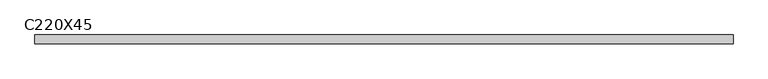
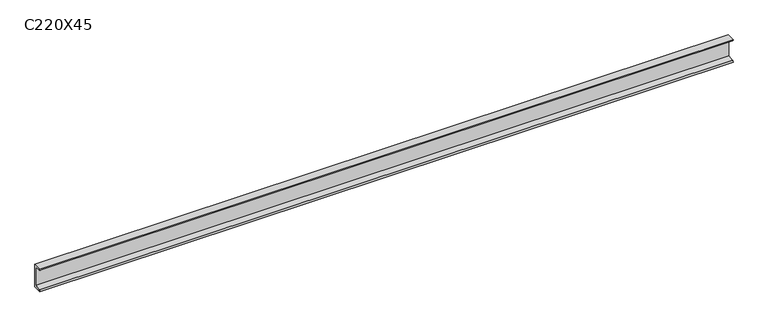
"""IFC4 building model written with IfcOpenShell, lengths in millimetres: beam geometry, C220X45."""

from ifc_helpers import new_model, si_unit, point, frame, frame_2d, origin, place, context, project, spatial, polyline, circle_curve, trimmed, segment, composite_curve, outline, extrude, source, transform, mapped, element, save


def c220x45_c17fb10a(model_context):
    return source(origin(), model_context, "Body", "SweptSolid", [
        extrude(outline(composite_curve([segment(polyline([(17.0, 110.0), (17.0, -110.0), (-64.0, -110.0)]), True, "CONTINUOUS"), segment(trimmed(circle_curve(frame_2d((-51.0, -110.0)), 13.0), [point((-64.0, -110.0))], [point((-51.0, -97.0))], False, "CARTESIAN"), True, "CONTINUOUS"), segment(polyline([(-51.0, -97.0), (4.0, -88.2888558), (4.0, 88.2888558), (-51.0, 97.0)]), True, "CONTINUOUS"), segment(trimmed(circle_curve(frame_2d((-51.0, 110.0)), 13.0), [point((-51.0, 97.0))], [point((-64.0, 110.0))], False, "CARTESIAN"), True, "CONTINUOUS"), segment(polyline([(-64.0, 110.0), (17.0, 110.0)]), True, "CONTINUOUS")], self_intersect=False)), frame((-3231.5, 0.0, 0.0), z_axis=(1.0, 0.0, 0.0), x_axis=(0.0, 1.0, 0.0)), (0.0, 0.0, 1.0), 6463.0),
    ])


if __name__ == "__main__":
    model = new_model("IFC4")
    model_context = context("Model", 3, world=origin())
    ifc_project = project(units=[si_unit("LENGTHUNIT", "METRE", prefix="MILLI")], contexts=[model_context])
    site = spatial("IfcSite", under=ifc_project)
    building = spatial("IfcBuilding", under=site)
    placement = place(None, origin())
    c220x45_shape = c220x45_c17fb10a(model_context)
    element("IfcBeam", 1, ObjectType="C220X45", at=placement, inside=building, context=model_context, shape_type="MappedRepresentation", body=[
        mapped(c220x45_shape, transform((0.0, 0.0, 0.0), x_axis=(1.0, 0.0, 0.0), y_axis=(0.0, 1.0, 0.0), z_axis=(0.0, 0.0, 1.0))),
    ])
    save(model, "model.ifc")
